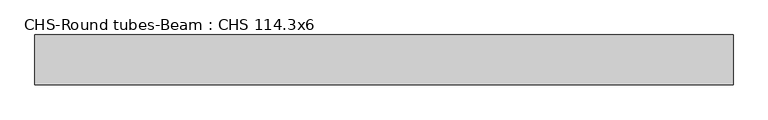
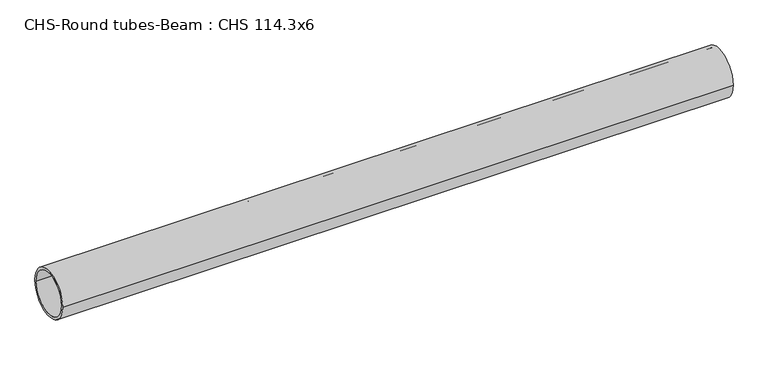
"""IFC4 building model written with IfcOpenShell, lengths in millimetres: beam geometry, CHS-Round tubes-Beam : CHS 114.3x6."""

from ifc_helpers import new_model, si_unit, point, frame, origin, origin_2d, place, context, project, spatial, circle_curve, trimmed, segment, composite_curve, outline, extrude, source, transform, mapped, element, save


def chs_round_tubes_beam_chs_114_3x6_f028b951(model_context):
    return source(origin(), model_context, "Body", "SweptSolid", [
        extrude(outline(composite_curve([segment(trimmed(circle_curve(origin_2d(), 57.15), [point((57.15, 0.0))], [point((-57.15, 0.0))], False, "CARTESIAN"), True, "CONTINUOUS"), segment(trimmed(circle_curve(origin_2d(), 57.15), [point((-57.15, 0.0))], [point((57.15, 0.0))], False, "CARTESIAN"), True, "CONTINUOUS")], self_intersect=False), holes=[composite_curve([segment(trimmed(circle_curve(origin_2d(), 51.15), [point((51.15, 0.0))], [point((-51.15, 0.0))], True, "CARTESIAN"), True, "CONTINUOUS"), segment(trimmed(circle_curve(origin_2d(), 51.15), [point((-51.15, 0.0))], [point((51.15, 0.0))], True, "CARTESIAN"), True, "CONTINUOUS")], self_intersect=False)]), frame((-790.1353561, 0.0, 0.0), z_axis=(1.0, 0.0, 0.0), x_axis=(0.0, 1.0, 0.0)), (0.0, 0.0, 1.0), 1594.4683186),
    ])


if __name__ == "__main__":
    model = new_model("IFC4")
    model_context = context("Model", 3, world=origin())
    ifc_project = project(units=[si_unit("LENGTHUNIT", "METRE", prefix="MILLI")], contexts=[model_context])
    site = spatial("IfcSite", under=ifc_project)
    building = spatial("IfcBuilding", under=site)
    placement = place(None, origin())
    chs_round_tubes_beam_chs_114_3x6_shape = chs_round_tubes_beam_chs_114_3x6_f028b951(model_context)
    element("IfcBeam", 1, ObjectType="CHS-Round tubes-Beam : CHS 114.3x6", at=placement, inside=building, context=model_context, shape_type="MappedRepresentation", body=[
        mapped(chs_round_tubes_beam_chs_114_3x6_shape, transform((0.0, 0.0, 0.0), x_axis=(1.0, 0.0, 0.0), y_axis=(0.0, 1.0, 0.0), z_axis=(0.0, 0.0, 1.0))),
    ])
    save(model, "model.ifc")
